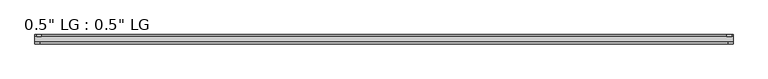
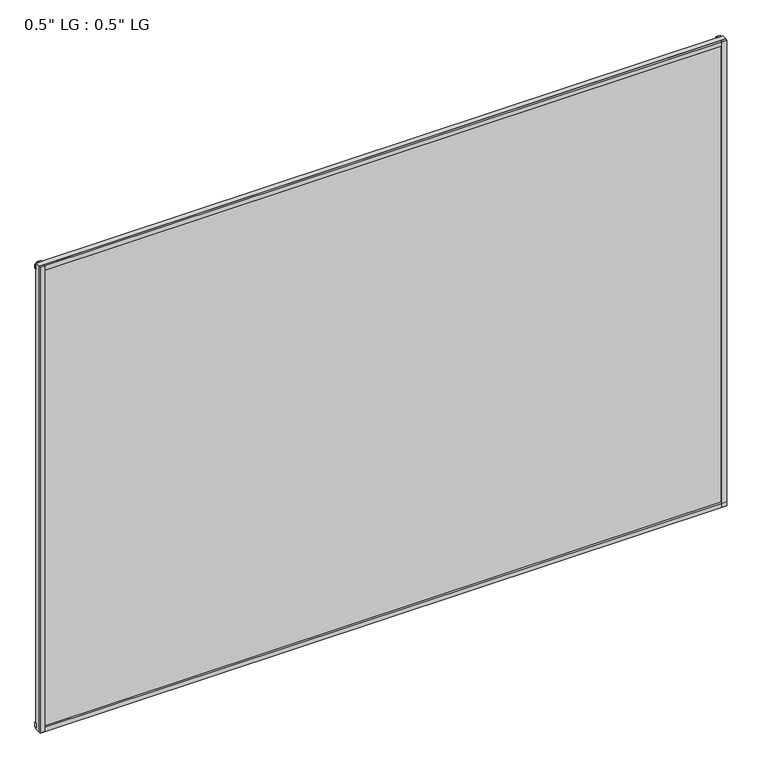
"""IFC4 building model written with IfcOpenShell, lengths in millimetres: plate geometry."""

from ifc_helpers import new_model, si_unit, frame, origin, origin_with_axes, place, context, project, spatial, polyline, outline, extrude, source, transform, mapped, element, save


def plate_b6446ed0(model_context):
    return source(origin(), model_context, "Body", "SweptSolid", [
        extrude(outline(polyline([(867.5318507, -33.3271813), (867.5318507, -38.0007813), (855.3941711, -38.0007813), (855.3941711, -33.3271813), (867.5318507, -33.3271813)])), origin_with_axes(), (0.0, 0.0, 1.0), 1243.7923299),
        extrude(outline(polyline([(864.000497, -15.5217813), (864.000497, -19.7127813), (851.9880732, -19.7127813), (851.9880732, -15.5217813), (864.000497, -15.5217813)])), origin_with_axes(), (0.0, 0.0, 1.0), 1243.7923299),
        extrude(outline(polyline([(-855.2412727, -38.0007812), (-867.5318507, -38.0007812), (-867.5318507, -33.3271813), (-855.2412727, -33.3271813), (-855.2412727, -38.0007812)])), origin_with_axes(), (0.0, 0.0, 1.0), 1243.7923299),
        extrude(outline(polyline([(-851.2820348, -19.7127813), (-863.5726128, -19.7127813), (-863.5726128, -15.5217812), (-851.2820348, -15.5217812), (-851.2820348, -19.7127813)])), origin_with_axes(), (0.0, 0.0, 1.0), 1243.7923299),
        extrude(outline(polyline([(867.5318507, -33.3271813), (867.5318507, -38.0007813), (-867.5318507, -38.0007812), (-867.5318507, -33.3271812), (867.5318507, -33.3271813)])), origin_with_axes(), (0.0, 0.0, 1.0), 11.1693096),
        extrude(outline(polyline([(867.5318507, -15.3590708), (867.5318507, -20.1364307), (-867.5318507, -20.1364307), (-867.5318507, -15.3590708), (867.5318507, -15.3590708)])), frame((0.0, 0.0, 3.848913), z_axis=(0.0, 0.0, 1.0), x_axis=(1.0, 0.0, 0.0)), (0.0, 0.0, 1.0), 11.1693096),
        extrude(outline(polyline([(867.5318507, -33.3271813), (867.5318507, -38.0007813), (-867.5318507, -38.0007812), (-867.5318507, -33.3271812), (867.5318507, -33.3271813)])), frame((0.0, 0.0, 1232.611224), z_axis=(0.0, 0.0, 1.0), x_axis=(1.0, 0.0, 0.0)), (0.0, 0.0, 1.0), 11.1811058),
        extrude(outline(polyline([(867.5318507, -15.5217813), (867.5318507, -19.7127813), (-867.5318507, -19.7127812), (-867.5318507, -15.5217813), (867.5318507, -15.5217813)])), frame((0.0, 0.0, 1228.0520773), z_axis=(0.0, 0.0, 1.0), x_axis=(1.0, 0.0, 0.0)), (0.0, 0.0, 1.0), 11.1811058),
        extrude(outline(polyline([(867.5318507, -33.3271812), (-867.5318507, -33.3271812), (-867.5318507, -19.7127812), (867.5318507, -19.7127812), (867.5318507, -33.3271812)])), origin_with_axes(), (0.0, 0.0, 1.0), 1243.7923299),
    ])


if __name__ == "__main__":
    model = new_model("IFC4")
    model_context = context("Model", 3, world=origin())
    ifc_project = project(units=[si_unit("LENGTHUNIT", "METRE", prefix="MILLI")], contexts=[model_context])
    site = spatial("IfcSite", under=ifc_project)
    building = spatial("IfcBuilding", under=site)
    placement = place(None, origin())
    plate_shape = plate_b6446ed0(model_context)
    element("IfcPlate", 1, ObjectType="0.5\" LG : 0.5\" LG", at=placement, inside=building, context=model_context, shape_type="MappedRepresentation", body=[
        mapped(plate_shape, transform((0.0, 0.0, 0.0), x_axis=(1.0, 0.0, 0.0), y_axis=(0.0, 1.0, 0.0), z_axis=(0.0, 0.0, 1.0))),
    ])
    save(model, "model.ifc")
